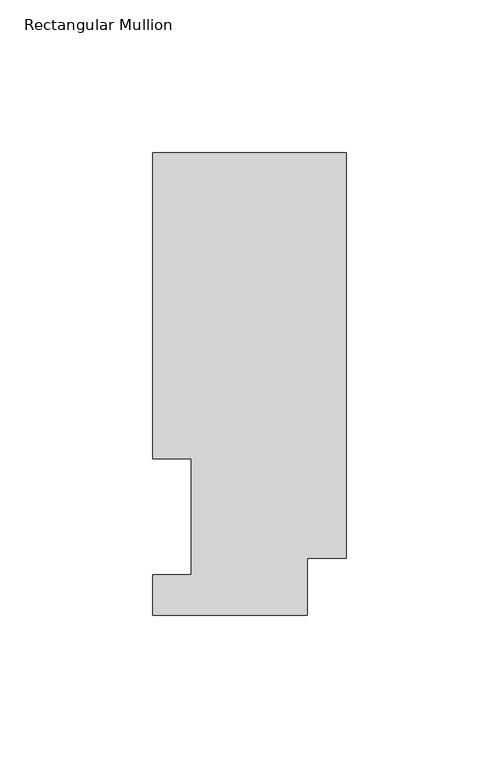
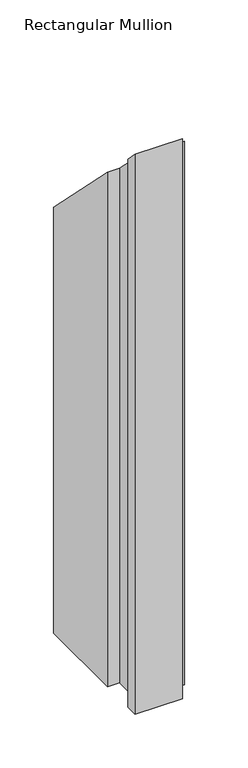
"""IFC4 building model written with IfcOpenShell, lengths in millimetres: member geometry, Rectangular Mullion."""

from ifc_helpers import new_model, si_unit, origin, place, context, project, spatial, faceted_brep, source, transform, mapped, element, save


def rectangular_mullion_a78c0600(model_context):
    return source(origin(), model_context, "Body", "Brep", [
        faceted_brep([(-63.5, 151.7022937, -635.0), (0.0, 151.7022937, -635.0), (0.0, 18.7332937, -635.0), (-12.7, 18.7332937, -635.0), (-12.7, 0.0134937, -635.0), (-63.5, 0.0134937, -635.0), (-63.5, 13.1960938, -635.0), (-50.8, 13.1960938, -635.0), (-50.8, 51.2960938, -635.0), (-63.5, 51.2960937, -635.0), (-63.5, 51.2960937, -51.2960938), (-63.5, 151.7022937, -151.7022937), (-50.8, 51.2960937, -51.2960938), (-50.8, 13.1960938, -13.1960938), (-63.5, 13.1960938, -13.1960938), (-63.5, 0.0134937, -0.0134937), (-12.7, 0.0134937, -0.0134937), (-12.7, 18.7332937, -18.7332937), (0.0, 18.7332937, -18.7332937), (0.0, 151.7022937, -151.7022937)], [[[0, 1, 2, 3, 4, 5, 6, 7, 8, 9]], [[10, 11, 0, 9]], [[12, 10, 9, 8]], [[13, 12, 8, 7]], [[14, 13, 7, 6]], [[15, 14, 6, 5]], [[16, 15, 5, 4]], [[17, 16, 4, 3]], [[18, 17, 3, 2]], [[19, 18, 2, 1]], [[11, 19, 1, 0]], [[11, 10, 12, 13, 14, 15, 16, 17, 18, 19]]]),
    ])


if __name__ == "__main__":
    model = new_model("IFC4")
    model_context = context("Model", 3, world=origin())
    ifc_project = project(units=[si_unit("LENGTHUNIT", "METRE", prefix="MILLI")], contexts=[model_context])
    site = spatial("IfcSite", under=ifc_project)
    building = spatial("IfcBuilding", under=site)
    placement = place(None, origin())
    rectangular_mullion_shape = rectangular_mullion_a78c0600(model_context)
    element("IfcMember", 1, ObjectType="Rectangular Mullion", at=placement, inside=building, context=model_context, shape_type="MappedRepresentation", body=[
        mapped(rectangular_mullion_shape, transform((0.0, 0.0, 0.0), x_axis=(1.0, 0.0, 0.0), y_axis=(0.0, 1.0, 0.0), z_axis=(0.0, 0.0, 1.0))),
    ])
    save(model, "model.ifc")
